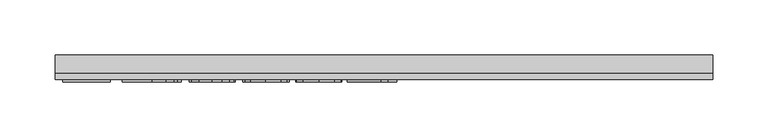
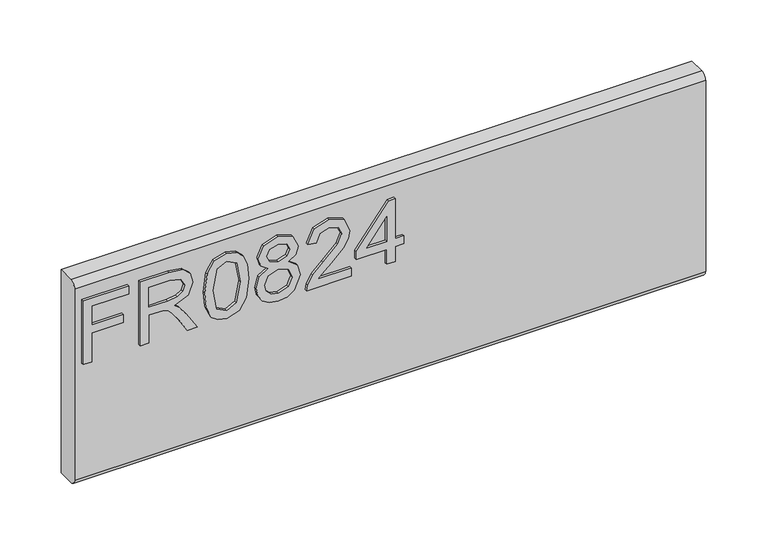
"""IFC4 building model written with IfcOpenShell, lengths in millimetres: furniture geometry."""

from ifc_helpers import new_model, si_unit, frame, origin, place, context, project, spatial, polyline, circle_curve, outline, extrude, source, transform, mapped, element, save
from ifc_brep_helpers import plane_surface, cylinder_surface, advanced_brep


def furniture_ad18198e(model_context):
    return source(origin(), model_context, "Body", "SolidModel", [
        extrude(outline(polyline([(1085.85, -291.4729953), (1085.85, -283.4992757), (1114.7547336, -283.4992757), (1114.7547336, -253.5978271), (1122.7284532, -253.5978271), (1122.7284532, -283.4992757), (1141.6660373, -283.4992757), (1141.6660373, -248.6142524), (1149.6397569, -248.6142524), (1149.6397569, -291.4729953), (1085.85, -291.4729953)])), frame((0.0, -15.0812439, 0.0), z_axis=(0.0, 1.0, 0.0), x_axis=(0.0, 0.0, 1.0)), (0.0, 0.0, 1.0), 2.38125),
        extrude(outline(polyline([(1085.85, -237.6503879), (1085.85, -229.6766683), (1113.7580187, -229.6766683), (1113.7580187, -220.0521395), (1113.4776926, -215.4267592), (1111.9592596, -211.6345703), (1107.82445, -207.4218923), (1099.0720468, -201.4260289), (1085.85, -193.1252622), (1085.85, -183.8589278), (1103.136775, -194.4957452), (1111.3440996, -200.9588187), (1114.7547336, -205.490757), (1120.6883023, -192.136334), (1132.1816716, -187.8146403), (1141.8295609, -190.4232302), (1147.9188663, -197.4002349), (1149.6397569, -210.1628584), (1149.6397569, -237.6503879), (1085.85, -237.6503879)]), holes=[polyline([(1121.7317383, -229.6766683), (1141.6660373, -229.6766683), (1141.6660373, -209.8202376), (1138.9094975, -199.1600597), (1131.8857719, -195.7883599), (1126.4739211, -197.5559716), (1122.8608294, -202.7264304), (1121.7317383, -211.8292412), (1121.7317383, -229.6766683)])]), frame((0.0, -15.0812439, 0.0), z_axis=(0.0, 1.0, 0.0), x_axis=(0.0, 0.0, 1.0)), (0.0, 0.0, 1.0), 2.38125),
        extrude(outline(polyline([(1117.2309473, -176.8507758), (1101.7156775, -175.2622614), (1090.9270168, -170.496718), (1086.371718, -164.2049549), (1084.853285, -155.9197618), (1088.3495742, -144.2472953), (1098.9552443, -137.3092248), (1117.2309473, -134.9887478), (1132.2206058, -136.4370992), (1141.6582505, -140.1747803), (1147.5840324, -146.6067065), (1149.6397569, -155.9197618), (1146.1668283, -167.5455073), (1135.5845188, -174.5069383), (1117.2309473, -176.8507758)]), holes=[polyline([(1117.246521, -168.8770562), (1137.3988514, -165.0147858), (1141.6660373, -156.0132039), (1136.8226256, -146.5755591), (1117.246521, -142.9624674), (1097.4601718, -146.7001485), (1092.8270047, -155.9197618), (1097.4445982, -165.1393751), (1117.246521, -168.8770562)])]), frame((0.0, -15.0812439, 0.0), z_axis=(0.0, 1.0, 0.0), x_axis=(0.0, 0.0, 1.0)), (0.0, 0.0, 1.0), 2.38125),
        extrude(outline(polyline([(1120.9842021, -116.3937845), (1115.1907964, -124.990451), (1104.6318474, -128.0117432), (1096.8742125, -126.5711786), (1090.5143145, -122.2494848), (1086.2685424, -115.5761668), (1084.853285, -107.0807292), (1086.2627023, -98.5852916), (1090.490954, -91.9119735), (1104.413816, -86.1497152), (1114.7313731, -89.0542048), (1120.9842021, -97.5340688), (1125.913269, -90.4714089), (1133.4275653, -88.1431451), (1144.9209346, -93.3758986), (1149.6397569, -107.1897449), (1145.0299503, -120.8790018), (1133.6455967, -126.0183133), (1125.9366295, -123.6589021), (1120.9842021, -116.3937845)]), holes=[polyline([(1133.4119916, -118.0445936), (1139.2365446, -115.1712513), (1141.6660373, -107.0807292), (1139.1820368, -99.0135675), (1133.0537972, -96.1168647), (1127.1358022, -98.9201255), (1124.7218831, -106.9872871), (1127.1513758, -115.2179723), (1133.4119916, -118.0445936)]), polyline([(1104.9121735, -120.0380235), (1113.3686769, -116.6663237), (1116.7481635, -107.2831869), (1113.3219559, -97.6275108), (1104.6629947, -94.1234348), (1096.1675571, -97.5184951), (1092.8270047, -107.0184345), (1094.4155191, -113.9954391), (1098.9085232, -118.7064747), (1104.9121735, -120.0380235)])]), frame((0.0, -15.0812439, 0.0), z_axis=(0.0, 1.0, 0.0), x_axis=(0.0, 0.0, 1.0)), (0.0, 0.0, 1.0), 2.38125),
        extrude(outline(polyline([(1093.8237196, -38.3073975), (1093.8237196, -69.6260501), (1097.8806609, -66.0285321), (1105.550694, -56.8556398), (1116.4756243, -45.432352), (1124.2936072, -40.7213165), (1131.8546245, -39.3041124), (1144.5315928, -44.5602264), (1149.6397569, -58.833496), (1145.045524, -73.0600446), (1131.6988878, -79.1727105), (1130.7021729, -71.1989909), (1138.7537608, -67.8428648), (1141.6660373, -59.0048064), (1138.6836793, -50.5249425), (1131.3718407, -47.277832), (1122.3391115, -50.7196133), (1109.05477, -64.4867386), (1099.8117962, -74.4694618), (1091.3475059, -79.3128735), (1085.85, -80.1694255), (1085.85, -38.3073975), (1093.8237196, -38.3073975)])), frame((0.0, -15.0812439, 0.0), z_axis=(0.0, 1.0, 0.0), x_axis=(0.0, 0.0, 1.0)), (0.0, 0.0, 1.0), 2.38125),
        extrude(outline(polyline([(1085.85, -4.4190891), (1085.85, 3.5546305), (1100.8007243, 3.5546305), (1100.8007243, 11.5283502), (1108.7744439, 11.5283502), (1108.7744439, 3.5546305), (1148.643042, 3.5546305), (1148.643042, -2.4256592), (1108.7744439, -33.3238227), (1100.8007243, -33.3238227), (1100.8007243, -4.4190891), (1085.85, -4.4190891)]), holes=[polyline([(1108.7744439, -4.4190891), (1108.7744439, -23.5124099), (1133.4119916, -4.4190891), (1108.7744439, -4.4190891)])]), frame((0.0, -15.0812439, 0.0), z_axis=(0.0, 1.0, 0.0), x_axis=(0.0, 0.0, 1.0)), (0.0, 0.0, 1.0), 2.38125),
        advanced_brep(
        [(298.45, 9.5250061, 1168.4), (298.45, -6.7309939, 1168.4), (298.45, -12.6999939, 1162.431), (298.45, -12.6999939, 971.169), (298.45, -6.7309939, 965.2), (298.45, 9.5250061, 965.2), (-298.45, 9.5250061, 1168.4), (-298.45, 9.5250061, 965.2), (-298.45, -6.7309939, 965.2), (-298.45, -12.6999939, 971.169), (-298.45, -12.6999939, 1162.4310121), (-298.45, -6.7309939, 1168.4)],
        [
            (0, 1),
            (1, 2, circle_curve(frame((298.45, -6.7309939, 1162.431), z_axis=(1.0, 0.0, 0.0), x_axis=(0.0, 1.0, 0.0)), 5.969)),
            (2, 3),
            (3, 4, circle_curve(frame((298.45, -6.7309939, 971.169), z_axis=(1.0, 0.0, 0.0), x_axis=(0.0, 1.0, 0.0)), 5.969)),
            (4, 5),
            (5, 0),
            (6, 7),
            (7, 8),
            (8, 9, circle_curve(frame((-298.45, -6.7309939, 971.169), z_axis=(-1.0, 0.0, 0.0), x_axis=(0.0, 1.0, 0.0)), 5.969)),
            (9, 10),
            (10, 11, circle_curve(frame((-298.45, -6.7309939, 1162.431), z_axis=(-1.0, 0.0, 0.0), x_axis=(0.0, 1.0, 0.0)), 5.969)),
            (11, 6),
            (0, 6),
            (11, 1),
            (10, 2),
            (9, 3),
            (8, 4),
            (7, 5),
        ],
        [
            plane_surface(frame((298.45, -6.7309939, 1168.4), z_axis=(1.0, 0.0, 0.0), x_axis=(0.0, -1.0, 0.0))),
            plane_surface(frame((-298.45, -6.7309939, 1168.4), z_axis=(-1.0, 0.0, 0.0), x_axis=(0.0, 1.0, 0.0))),
            plane_surface(frame((298.45, 9.5250061, 1168.4), z_axis=(0.0, 0.0, 1.0), x_axis=(-1.0, 0.0, 0.0))),
            cylinder_surface(frame((-298.45, -6.7309939, 1162.431), z_axis=(1.0, 0.0, 0.0), x_axis=(0.0, 1.0, 0.0)), 5.969),
            plane_surface(frame((298.45, -12.6999939, 1162.4310121), z_axis=(0.0, -1.0, 0.0), x_axis=(-1.0, 0.0, 0.0))),
            cylinder_surface(frame((-298.45, -6.7309939, 971.169), z_axis=(1.0, 0.0, 0.0), x_axis=(0.0, 1.0, 0.0)), 5.969),
            plane_surface(frame((298.45, -6.7309939, 965.2), z_axis=(0.0, 0.0, -1.0), x_axis=(-1.0, 0.0, 0.0))),
            plane_surface(frame((298.45, 9.5250061, 965.2), z_axis=(0.0, 1.0, 0.0), x_axis=(-1.0, 0.0, 0.0))),
        ],
        [
            (0, [[1, 2, 3, 4, 5, 6]]),
            (1, [[7, 8, 9, 10, 11, 12]]),
            (2, [[-1, 13, -12, 14]]),
            (3, [[-2, -14, -11, 15]]),
            (4, [[-3, -15, -10, 16]]),
            (5, [[-4, -16, -9, 17]]),
            (6, [[-5, -17, -8, 18]]),
            (7, [[-6, -18, -7, -13]]),
        ],
    ),
    ])


if __name__ == "__main__":
    model = new_model("IFC4")
    model_context = context("Model", 3, world=origin())
    ifc_project = project(units=[si_unit("LENGTHUNIT", "METRE", prefix="MILLI")], contexts=[model_context])
    site = spatial("IfcSite", under=ifc_project)
    building = spatial("IfcBuilding", under=site)
    placement = place(None, origin())
    furniture_shape = furniture_ad18198e(model_context)
    element("IfcFurniture", 1, at=placement, inside=building, context=model_context, shape_type="MappedRepresentation", body=[
        mapped(furniture_shape, transform((0.0, 0.0, 0.0), x_axis=(1.0, 0.0, 0.0), y_axis=(0.0, 1.0, 0.0), z_axis=(0.0, 0.0, 1.0))),
    ])
    save(model, "model.ifc")
